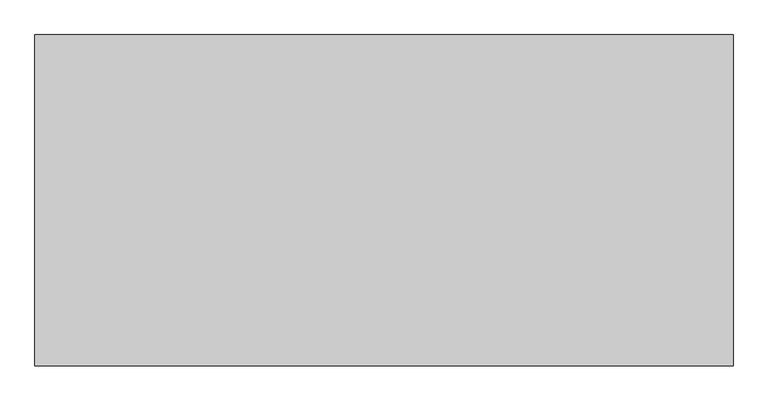
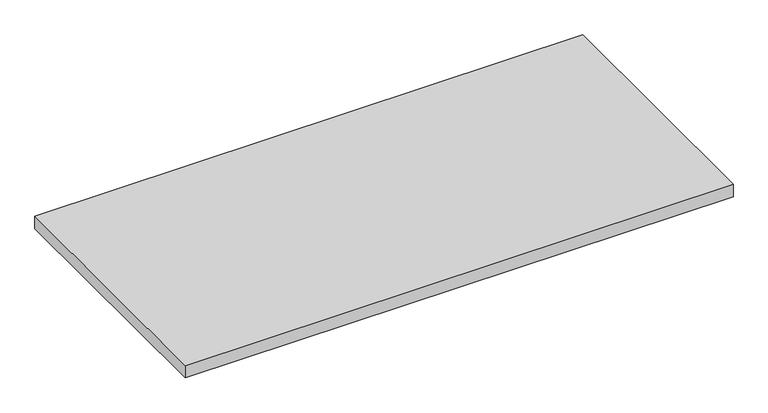
"""IFC4 building model written with IfcOpenShell, lengths in millimetres: furniture geometry."""

from ifc_helpers import new_model, si_unit, frame, origin, place, context, project, spatial, polyline, outline, extrude, source, transform, mapped, element, save


def furniture_ea716186(model_context):
    return source(origin(), model_context, "Body", "SweptSolid", [
        extrude(outline(polyline([(1065.1998, -548.7539634), (1065.1998, -1053.7059634), (1.6002, -1053.7059634), (1.6002, -548.7539634), (1065.1998, -548.7539634)])), frame((0.0, 0.0, 564.642), z_axis=(0.0, 0.0, 1.0), x_axis=(1.0, 0.0, 0.0)), (0.0, 0.0, 1.0), 25.4),
    ])


if __name__ == "__main__":
    model = new_model("IFC4")
    model_context = context("Model", 3, world=origin())
    ifc_project = project(units=[si_unit("LENGTHUNIT", "METRE", prefix="MILLI")], contexts=[model_context])
    site = spatial("IfcSite", under=ifc_project)
    building = spatial("IfcBuilding", under=site)
    placement = place(None, origin())
    furniture_shape = furniture_ea716186(model_context)
    element("IfcFurniture", 1, at=placement, inside=building, context=model_context, shape_type="MappedRepresentation", body=[
        mapped(furniture_shape, transform((0.0, 0.0, 0.0), x_axis=(1.0, 0.0, 0.0), y_axis=(0.0, 1.0, 0.0), z_axis=(0.0, 0.0, 1.0))),
    ])
    save(model, "model.ifc")
